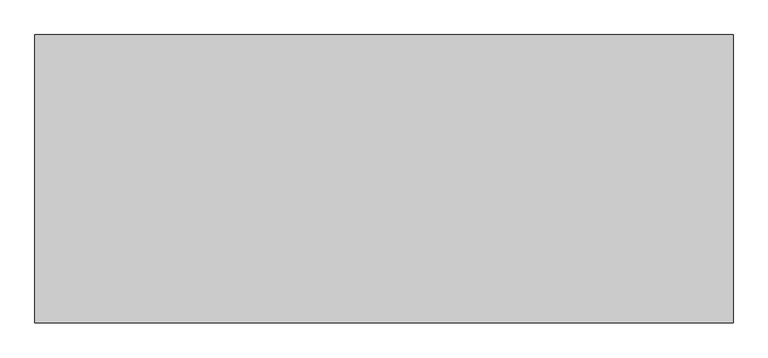
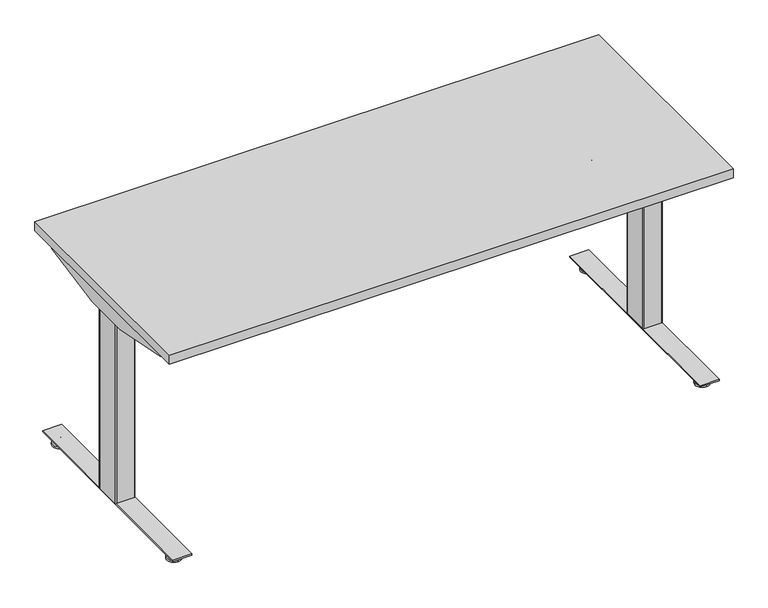
"""IFC4 building model written with IfcOpenShell, lengths in millimetres: furniture geometry."""

from ifc_helpers import new_model, si_unit, point, frame, frame_2d, origin, place, context, project, spatial, polyline, circle_curve, trimmed, segment, composite_curve, outline, extrude, source, transform, mapped, element, save
from ifc_brep_helpers import plane_surface, cylinder_surface, revolved_surface, advanced_brep


def furniture_c5a4d854(model_context):
    return source(origin(), model_context, "Body", "SolidModel", [
        extrude(outline(composite_curve([segment(polyline([(24.0299808, 91.9126008), (24.0299808, 89.2526023), (15.0465732, 89.2526023)]), True, "CONTINUOUS"), segment(trimmed(circle_curve(frame_2d((15.0465732, 88.1760101)), 1.0765922), [point((15.0465732, 89.2526023))], [point((13.969981, 88.1760101))], True, "CARTESIAN"), True, "CONTINUOUS"), segment(polyline([(13.969981, 88.1760101), (13.969981, 57.733733)]), True, "CONTINUOUS"), segment(trimmed(circle_curve(frame_2d((14.981112, 57.733733)), 1.011131), [point((13.969981, 57.733733))], [point((14.981112, 56.7226021))], True, "CARTESIAN"), True, "CONTINUOUS"), segment(polyline([(14.981112, 56.7226021), (24.0299808, 56.7226021), (24.0299808, 54.0625991), (14.9699813, 54.0625991), (13.1399808, 54.5529489), (11.8003278, 55.8926019), (11.3099815, 57.7226046), (11.3099815, 88.2526043), (11.8003278, 90.0826025), (13.1399808, 91.4222555), (14.9699813, 91.9126008), (24.0299808, 91.9126008)]), True, "CONTINUOUS")], self_intersect=False)), frame((0.0, -646.1468746, 0.0), z_axis=(0.0, 1.0, 0.0), x_axis=(0.0, 0.0, 1.0)), (0.0, 0.0, 1.0), 507.9999924),
        advanced_brep(
        [(71.6136021, -726.0252467, 9.1e-06), (71.6136021, -703.4479001, 9.1e-06), (71.6136021, -680.8705535, 9.1e-06), (71.6136021, -726.0109304, 5.8932313), (71.6136021, -680.8848697, 5.8932313), (71.6136021, -706.9684154, 9.6997702), (71.6136021, -699.9273847, 9.6997702), (71.6136021, -706.9684154, 23.9856018), (71.6136021, -699.9273847, 23.9856018), (71.6136021, -703.4479001, 23.9856018)],
        [
            (0, 1),
            (1, 2),
            (2, 0, circle_curve(frame((71.6136021, -703.4479001, 9.1e-06), z_axis=(0.0, 0.0, -1.0), x_axis=(0.0, 1.0, 0.0)), 22.5773466)),
            (0, 2, circle_curve(frame((71.6136021, -703.4479001, 9.1e-06), z_axis=(0.0, 0.0, -1.0), x_axis=(0.0, 1.0, 0.0)), 22.5773466)),
            (3, 0),
            (2, 4),
            (4, 3, circle_curve(frame((71.6136021, -703.4479001, 5.8932313), z_axis=(0.0, 0.0, -1.0), x_axis=(0.0, 1.0, 0.0)), 22.5630303)),
            (3, 4, circle_curve(frame((71.6136021, -703.4479001, 5.8932313), z_axis=(0.0, 0.0, -1.0), x_axis=(0.0, 1.0, 0.0)), 22.5630303)),
            (5, 3),
            (4, 6),
            (6, 5, circle_curve(frame((71.6136021, -703.4479001, 9.6997702), z_axis=(0.0, 0.0, -1.0), x_axis=(0.0, 1.0, 0.0)), 3.5205153)),
            (5, 6, circle_curve(frame((71.6136021, -703.4479001, 9.6997702), z_axis=(0.0, 0.0, -1.0), x_axis=(0.0, 1.0, 0.0)), 3.5205153)),
            (7, 5),
            (6, 8),
            (8, 7, circle_curve(frame((71.6136021, -703.4479001, 23.9856018), z_axis=(0.0, 0.0, -1.0), x_axis=(0.0, 1.0, 0.0)), 3.5205153)),
            (7, 8, circle_curve(frame((71.6136021, -703.4479001, 23.9856018), z_axis=(0.0, 0.0, -1.0), x_axis=(0.0, 1.0, 0.0)), 3.5205153)),
            (9, 7),
            (8, 9),
        ],
        [
            plane_surface(frame((71.6136021, -703.4479001, 9.1e-06), z_axis=(0.0, 0.0, -1.0), x_axis=(0.0, 1.0, 0.0))),
            revolved_surface(polyline([(71.6136021, -680.8705535, 9.1e-06), (71.6136021, -680.8848697, 5.8932313)]), (71.6136021, -703.4479001, -6.3499909), (0.0, 0.0, 1.0)),
            revolved_surface(polyline([(71.6136021, -680.8848697, 5.8932313), (71.6136021, -699.9273847, 9.6997702)]), (71.6136021, -703.4479001, -6.3499909), (0.0, 0.0, 1.0)),
            cylinder_surface(frame((71.6136021, -703.4479001, -6.3499909), z_axis=(0.0, 0.0, 1.0), x_axis=(0.0, 1.0, 0.0)), 3.5205153),
            plane_surface(frame((71.6136021, -703.4479001, 23.9856018), z_axis=(0.0, 0.0, 1.0), x_axis=(0.0, 1.0, 0.0))),
        ],
        [
            (0, [[1, 2, 3]]),
            (0, [[-2, -1, 4]]),
            (1, [[5, -3, 6, 7]]),
            (1, [[-6, -4, -5, 8]]),
            (2, [[9, -7, 10, 11]]),
            (2, [[-10, -8, -9, 12]]),
            (3, [[13, -11, 14, 15]]),
            (3, [[-14, -12, -13, 16]]),
            (4, [[17, -15, 18]]),
            (4, [[-18, -16, -17]]),
        ],
    ),
        advanced_brep(
        [(71.6136021, -80.677371, 23.9447896), (71.6136021, -84.2813634, 23.9447896), (71.6136021, -77.0733786, 23.9447896), (71.6136021, -103.3167838, 9.1e-06), (71.6136021, -80.677371, 9.1e-06), (71.6136021, -58.0379582, 9.1e-06), (71.6136021, -103.3024934, 5.8932313), (71.6136021, -58.0522486, 5.8932313), (71.6136021, -84.2599821, 9.6997702), (71.6136021, -77.0947599, 9.6997702)],
        [
            (0, 1),
            (1, 2, circle_curve(frame((71.6136021, -80.677371, 23.9447896), z_axis=(0.0, 0.0, 1.0), x_axis=(0.0, 1.0, 0.0)), 3.6039924)),
            (2, 0),
            (2, 1, circle_curve(frame((71.6136021, -80.677371, 23.9447896), z_axis=(0.0, 0.0, 1.0), x_axis=(0.0, 1.0, 0.0)), 3.6039924)),
            (3, 4),
            (4, 5),
            (5, 3, circle_curve(frame((71.6136021, -80.677371, 9.1e-06), z_axis=(0.0, 0.0, -1.0), x_axis=(0.0, 1.0, 0.0)), 22.6394128)),
            (3, 5, circle_curve(frame((71.6136021, -80.677371, 9.1e-06), z_axis=(0.0, 0.0, -1.0), x_axis=(0.0, 1.0, 0.0)), 22.6394128)),
            (6, 3),
            (5, 7),
            (7, 6, circle_curve(frame((71.6136021, -80.677371, 5.8932313), z_axis=(0.0, 0.0, -1.0), x_axis=(0.0, 1.0, 0.0)), 22.6251224)),
            (6, 7, circle_curve(frame((71.6136021, -80.677371, 5.8932313), z_axis=(0.0, 0.0, -1.0), x_axis=(0.0, 1.0, 0.0)), 22.6251224)),
            (8, 6),
            (7, 9),
            (9, 8, circle_curve(frame((71.6136021, -80.677371, 9.6997702), z_axis=(0.0, 0.0, -1.0), x_axis=(0.0, 1.0, 0.0)), 3.5826111)),
            (8, 9, circle_curve(frame((71.6136021, -80.677371, 9.6997702), z_axis=(0.0, 0.0, -1.0), x_axis=(0.0, 1.0, 0.0)), 3.5826111)),
            (1, 8),
            (9, 2),
        ],
        [
            plane_surface(frame((71.6136021, -80.677371, 23.9447896), z_axis=(0.0, 0.0, 1.0), x_axis=(0.0, 1.0, 0.0))),
            plane_surface(frame((71.6136021, -80.677371, 9.1e-06), z_axis=(0.0, 0.0, -1.0), x_axis=(0.0, 1.0, 0.0))),
            revolved_surface(polyline([(71.6136021, -58.0379582, 9.1e-06), (71.6136021, -58.0522486, 5.8932313)]), (71.6136021, -80.677371, -4.2199069), (0.0, 0.0, 1.0)),
            revolved_surface(polyline([(71.6136021, -58.0522486, 5.8932313), (71.6136021, -77.0947599, 9.6997702)]), (71.6136021, -80.677371, -4.2199069), (0.0, 0.0, 1.0)),
            cylinder_surface(frame((71.6136021, -80.677371, -4.2199069), z_axis=(0.0, 0.0, 1.0), x_axis=(0.0, 1.0, 0.0)), 3.5617141),
        ],
        [
            (0, [[1, 2, 3]]),
            (0, [[-3, 4, -1]]),
            (1, [[5, 6, 7]]),
            (1, [[-6, -5, 8]]),
            (2, [[9, -7, 10, 11]]),
            (2, [[-10, -8, -9, 12]]),
            (3, [[13, -11, 14, 15]]),
            (3, [[-14, -12, -13, 16]]),
            (4, [[17, -15, 18, -2]]),
            (4, [[-18, -16, -17, -4]]),
        ],
    ),
        extrude(outline(polyline([(42.9876029, -36.5468837), (102.9576025, -36.5468837), (102.9576025, -747.7468867), (42.9876029, -747.7468867), (42.9876029, -36.5468837)])), frame((0.0, 0.0, 24.0299808), z_axis=(0.0, 0.0, 1.0), x_axis=(1.0, 0.0, 0.0)), (0.0, 0.0, 1.0), 4.1800001),
        extrude(outline(composite_curve([segment(polyline([(98.1047994, -352.3927982), (98.1047994, -434.8963759)]), True, "CONTINUOUS"), segment(trimmed(circle_curve(frame_2d((95.8187994, -434.8963759)), 2.286), [point((98.1047994, -434.8963759))], [point((95.8187994, -437.1823759))], False, "CARTESIAN"), True, "CONTINUOUS"), segment(polyline([(95.8187994, -437.1823759), (47.5023125, -437.1823759)]), True, "CONTINUOUS"), segment(trimmed(circle_curve(frame_2d((47.5023125, -434.8963759)), 2.286), [point((47.5023125, -437.1823759))], [point((45.2163125, -434.8963759))], False, "CARTESIAN"), True, "CONTINUOUS"), segment(polyline([(45.2163125, -434.8963759), (45.2163125, -352.2329455)]), True, "CONTINUOUS"), segment(trimmed(circle_curve(frame_2d((47.5023125, -352.3927982)), 2.2915822), [point((45.2163125, -352.2329455))], [point((47.3424598, -350.1067982))], False, "CARTESIAN"), True, "CONTINUOUS"), segment(polyline([(47.3424598, -350.1067982), (95.8187994, -350.1067982)]), True, "CONTINUOUS"), segment(trimmed(circle_curve(frame_2d((95.8187994, -352.3927982)), 2.286), [point((95.8187994, -350.1067982))], [point((98.1047994, -352.3927982))], False, "CARTESIAN"), True, "CONTINUOUS")], self_intersect=False)), frame((0.0, 0.0, 631.6980091), z_axis=(0.0, 0.0, 1.0), x_axis=(1.0, 0.0, 0.0)), (0.0, 0.0, 1.0), 50.8819446),
        extrude(outline(composite_curve([segment(polyline([(44.6584207, -347.179857), (100.2661103, -347.179857)]), True, "CONTINUOUS"), segment(trimmed(circle_curve(frame_2d((100.2656021, -350.227857)), 3.048), [point((100.2661103, -347.179857))], [point((103.3136021, -350.227857))], False, "CARTESIAN"), True, "CONTINUOUS"), segment(polyline([(103.3136021, -350.227857), (103.3136021, -434.125863)]), True, "CONTINUOUS"), segment(trimmed(circle_curve(frame_2d((100.2656021, -434.125863)), 3.048), [point((103.3136021, -434.125863))], [point((100.2635382, -437.1738623))], False, "CARTESIAN"), True, "CONTINUOUS"), segment(polyline([(100.2635382, -437.1738623), (44.638999, -437.1361976)]), True, "CONTINUOUS"), segment(trimmed(circle_curve(frame_2d((44.6410511, -434.105568)), 3.0306304), [point((44.638999, -437.1361976))], [point((41.6104207, -434.105568))], False, "CARTESIAN"), True, "CONTINUOUS"), segment(polyline([(41.6104207, -434.105568), (41.6104207, -350.227857)]), True, "CONTINUOUS"), segment(trimmed(circle_curve(frame_2d((44.6584207, -350.227857)), 3.048), [point((41.6104207, -350.227857))], [point((44.6584207, -347.179857))], False, "CARTESIAN"), True, "CONTINUOUS")], self_intersect=False)), frame((0.0, 0.0, 28.209981), z_axis=(0.0, 0.0, 1.0), x_axis=(1.0, 0.0, 0.0)), (0.0, 0.0, 1.0), 603.4880281),
        extrude(outline(composite_curve([segment(polyline([(24.0299717, 1714.7357036), (14.9699722, 1714.7357036), (13.1399717, 1715.2260488), (11.8003187, 1716.5657018), (11.3099724, 1718.3957), (11.3099724, 1748.9256997), (11.8003187, 1750.7557024), (13.1399717, 1752.0953554), (14.9699722, 1752.5857052), (24.0299717, 1752.5857052), (24.0299717, 1749.9257022), (14.9811029, 1749.9257022)]), True, "CONTINUOUS"), segment(trimmed(circle_curve(frame_2d((14.9811029, 1748.9145713)), 1.011131), [point((14.9811029, 1749.9257022))], [point((13.9699719, 1748.9145713))], True, "CARTESIAN"), True, "CONTINUOUS"), segment(polyline([(13.9699719, 1748.9145713), (13.9699719, 1718.4722942)]), True, "CONTINUOUS"), segment(trimmed(circle_curve(frame_2d((15.0465641, 1718.4722942)), 1.0765922), [point((13.9699719, 1718.4722942))], [point((15.0465641, 1717.395702))], True, "CARTESIAN"), True, "CONTINUOUS"), segment(polyline([(15.0465641, 1717.395702), (24.0299717, 1717.395702), (24.0299717, 1714.7357036)]), True, "CONTINUOUS")], self_intersect=False)), frame((0.0, -646.1468746, 0.0), z_axis=(0.0, 1.0, 0.0), x_axis=(0.0, 0.0, 1.0)), (0.0, 0.0, 1.0), 507.9999924),
        advanced_brep(
        [(1735.0347023, -726.0252467, 0.0), (1735.0347023, -680.8705535, 0.0), (1735.0347023, -703.4479001, 0.0), (1735.0347023, -726.0109304, 5.8932222), (1735.0347023, -680.8848697, 5.8932222), (1735.0347023, -706.9684154, 9.6997611), (1735.0347023, -699.9273847, 9.6997611), (1735.0347023, -706.9684154, 23.9855927), (1735.0347023, -699.9273847, 23.9855927), (1735.0347023, -703.4479001, 23.9855927)],
        [
            (0, 1, circle_curve(frame((1735.0347023, -703.4479001, 0.0), z_axis=(0.0, 0.0, -1.0), x_axis=(0.0, 1.0, 0.0)), 22.5773466)),
            (1, 2),
            (2, 0),
            (1, 0, circle_curve(frame((1735.0347023, -703.4479001, 0.0), z_axis=(0.0, 0.0, -1.0), x_axis=(0.0, 1.0, 0.0)), 22.5773466)),
            (3, 4, circle_curve(frame((1735.0347023, -703.4479001, 5.8932222), z_axis=(0.0, 0.0, -1.0), x_axis=(0.0, 1.0, 0.0)), 22.5630303)),
            (4, 1),
            (0, 3),
            (4, 3, circle_curve(frame((1735.0347023, -703.4479001, 5.8932222), z_axis=(0.0, 0.0, -1.0), x_axis=(0.0, 1.0, 0.0)), 22.5630303)),
            (5, 6, circle_curve(frame((1735.0347023, -703.4479001, 9.6997611), z_axis=(0.0, 0.0, -1.0), x_axis=(0.0, 1.0, 0.0)), 3.5205153)),
            (6, 4),
            (3, 5),
            (6, 5, circle_curve(frame((1735.0347023, -703.4479001, 9.6997611), z_axis=(0.0, 0.0, -1.0), x_axis=(0.0, 1.0, 0.0)), 3.5205153)),
            (7, 8, circle_curve(frame((1735.0347023, -703.4479001, 23.9855927), z_axis=(0.0, 0.0, -1.0), x_axis=(0.0, 1.0, 0.0)), 3.5205153)),
            (8, 6),
            (5, 7),
            (8, 7, circle_curve(frame((1735.0347023, -703.4479001, 23.9855927), z_axis=(0.0, 0.0, -1.0), x_axis=(0.0, 1.0, 0.0)), 3.5205153)),
            (9, 8),
            (7, 9),
        ],
        [
            plane_surface(frame((1735.0347023, -703.4479001, 0.0), z_axis=(0.0, 0.0, -1.0), x_axis=(0.0, 1.0, 0.0))),
            revolved_surface(polyline([(1735.0347023, -680.8705535, 0.0), (1735.0347023, -680.8848697, 5.8932222)]), (1735.0347023, -703.4479001, -6.35), (0.0, 0.0, 1.0)),
            revolved_surface(polyline([(1735.0347023, -680.8848697, 5.8932222), (1735.0347023, -699.9273847, 9.6997611)]), (1735.0347023, -703.4479001, -6.35), (0.0, 0.0, 1.0)),
            cylinder_surface(frame((1735.0347023, -703.4479001, -6.35), z_axis=(0.0, 0.0, 1.0), x_axis=(0.0, 1.0, 0.0)), 3.5205153),
            plane_surface(frame((1735.0347023, -703.4479001, 23.9855927), z_axis=(0.0, 0.0, 1.0), x_axis=(0.0, 1.0, 0.0))),
        ],
        [
            (0, [[1, 2, 3]]),
            (0, [[4, -3, -2]]),
            (1, [[5, 6, -1, 7]]),
            (1, [[8, -7, -4, -6]]),
            (2, [[9, 10, -5, 11]]),
            (2, [[12, -11, -8, -10]]),
            (3, [[13, 14, -9, 15]]),
            (3, [[16, -15, -12, -14]]),
            (4, [[17, -13, 18]]),
            (4, [[-18, -16, -17]]),
        ],
    ),
        advanced_brep(
        [(1735.0347023, -80.677371, 23.9447805), (1735.0347023, -77.0733786, 23.9447805), (1735.0347023, -84.2813634, 23.9447805), (1735.0347023, -103.3167838, 0.0), (1735.0347023, -58.0379582, 0.0), (1735.0347023, -80.677371, 0.0), (1735.0347023, -103.3024934, 5.8932222), (1735.0347023, -58.0522486, 5.8932222), (1735.0347023, -84.2599821, 9.6997611), (1735.0347023, -77.0947599, 9.6997611)],
        [
            (0, 1),
            (1, 2, circle_curve(frame((1735.0347023, -80.677371, 23.9447805), z_axis=(0.0, 0.0, 1.0), x_axis=(0.0, 1.0, 0.0)), 3.6039924)),
            (2, 0),
            (2, 1, circle_curve(frame((1735.0347023, -80.677371, 23.9447805), z_axis=(0.0, 0.0, 1.0), x_axis=(0.0, 1.0, 0.0)), 3.6039924)),
            (3, 4, circle_curve(frame((1735.0347023, -80.677371, 0.0), z_axis=(0.0, 0.0, -1.0), x_axis=(0.0, 1.0, 0.0)), 22.6394128)),
            (4, 5),
            (5, 3),
            (4, 3, circle_curve(frame((1735.0347023, -80.677371, 0.0), z_axis=(0.0, 0.0, -1.0), x_axis=(0.0, 1.0, 0.0)), 22.6394128)),
            (6, 7, circle_curve(frame((1735.0347023, -80.677371, 5.8932222), z_axis=(0.0, 0.0, -1.0), x_axis=(0.0, 1.0, 0.0)), 22.6251224)),
            (7, 4),
            (3, 6),
            (7, 6, circle_curve(frame((1735.0347023, -80.677371, 5.8932222), z_axis=(0.0, 0.0, -1.0), x_axis=(0.0, 1.0, 0.0)), 22.6251224)),
            (8, 9, circle_curve(frame((1735.0347023, -80.677371, 9.6997611), z_axis=(0.0, 0.0, -1.0), x_axis=(0.0, 1.0, 0.0)), 3.5826111)),
            (9, 7),
            (6, 8),
            (9, 8, circle_curve(frame((1735.0347023, -80.677371, 9.6997611), z_axis=(0.0, 0.0, -1.0), x_axis=(0.0, 1.0, 0.0)), 3.5826111)),
            (1, 9),
            (8, 2),
        ],
        [
            plane_surface(frame((1735.0347023, -80.677371, 23.9447805), z_axis=(0.0, 0.0, 1.0), x_axis=(0.0, 1.0, 0.0))),
            plane_surface(frame((1735.0347023, -80.677371, 0.0), z_axis=(0.0, 0.0, -1.0), x_axis=(0.0, 1.0, 0.0))),
            revolved_surface(polyline([(1735.0347023, -58.0379582, 0.0), (1735.0347023, -58.0522486, 5.8932222)]), (1735.0347023, -80.677371, -4.219916), (0.0, 0.0, 1.0)),
            revolved_surface(polyline([(1735.0347023, -58.0522486, 5.8932222), (1735.0347023, -77.0947599, 9.6997611)]), (1735.0347023, -80.677371, -4.219916), (0.0, 0.0, 1.0)),
            cylinder_surface(frame((1735.0347023, -80.677371, -4.219916), z_axis=(0.0, 0.0, 1.0), x_axis=(0.0, 1.0, 0.0)), 3.5617141),
        ],
        [
            (0, [[1, 2, 3]]),
            (0, [[-3, 4, -1]]),
            (1, [[5, 6, 7]]),
            (1, [[8, -7, -6]]),
            (2, [[9, 10, -5, 11]]),
            (2, [[12, -11, -8, -10]]),
            (3, [[13, 14, -9, 15]]),
            (3, [[16, -15, -12, -14]]),
            (4, [[-2, 17, -13, 18]]),
            (4, [[-4, -18, -16, -17]]),
        ],
    ),
        extrude(outline(polyline([(1763.6607014, -36.5468837), (1763.6607014, -747.7468867), (1703.6907019, -747.7468867), (1703.6907019, -36.5468837), (1763.6607014, -36.5468837)])), frame((0.0, 0.0, 24.0299717), z_axis=(0.0, 0.0, 1.0), x_axis=(1.0, 0.0, 0.0)), (0.0, 0.0, 1.0), 4.1800001),
        extrude(outline(composite_curve([segment(trimmed(circle_curve(frame_2d((1710.8295049, -352.3927982)), 2.286), [point((1708.5435049, -352.3927982))], [point((1710.8295049, -350.1067982))], False, "CARTESIAN"), True, "CONTINUOUS"), segment(polyline([(1710.8295049, -350.1067982), (1759.3058445, -350.1067982)]), True, "CONTINUOUS"), segment(trimmed(circle_curve(frame_2d((1759.1459918, -352.3927982)), 2.2915822), [point((1759.3058445, -350.1067982))], [point((1761.4319918, -352.2329455))], False, "CARTESIAN"), True, "CONTINUOUS"), segment(polyline([(1761.4319918, -352.2329455), (1761.4319918, -434.8963759)]), True, "CONTINUOUS"), segment(trimmed(circle_curve(frame_2d((1759.1459918, -434.8963759)), 2.286), [point((1761.4319918, -434.8963759))], [point((1759.1459918, -437.1823759))], False, "CARTESIAN"), True, "CONTINUOUS"), segment(polyline([(1759.1459918, -437.1823759), (1710.8295049, -437.1823759)]), True, "CONTINUOUS"), segment(trimmed(circle_curve(frame_2d((1710.8295049, -434.8963759)), 2.286), [point((1710.8295049, -437.1823759))], [point((1708.5435049, -434.8963759))], False, "CARTESIAN"), True, "CONTINUOUS"), segment(polyline([(1708.5435049, -434.8963759), (1708.5435049, -352.3927982)]), True, "CONTINUOUS")], self_intersect=False)), frame((0.0, 0.0, 631.698), z_axis=(0.0, 0.0, 1.0), x_axis=(1.0, 0.0, 0.0)), (0.0, 0.0, 1.0), 50.8819446),
        extrude(outline(composite_curve([segment(trimmed(circle_curve(frame_2d((1761.9898836, -350.227857)), 3.048), [point((1761.9898836, -347.179857))], [point((1765.0378836, -350.227857))], False, "CARTESIAN"), True, "CONTINUOUS"), segment(polyline([(1765.0378836, -350.227857), (1765.0378836, -434.105568)]), True, "CONTINUOUS"), segment(trimmed(circle_curve(frame_2d((1762.0072532, -434.105568)), 3.0306304), [point((1765.0378836, -434.105568))], [point((1762.0093053, -437.1361976))], False, "CARTESIAN"), True, "CONTINUOUS"), segment(polyline([(1762.0093053, -437.1361976), (1706.3847661, -437.1738623)]), True, "CONTINUOUS"), segment(trimmed(circle_curve(frame_2d((1706.3827022, -434.125863)), 3.048), [point((1706.3847661, -437.1738623))], [point((1703.3347022, -434.125863))], False, "CARTESIAN"), True, "CONTINUOUS"), segment(polyline([(1703.3347022, -434.125863), (1703.3347022, -350.227857)]), True, "CONTINUOUS"), segment(trimmed(circle_curve(frame_2d((1706.3827022, -350.227857)), 3.048), [point((1703.3347022, -350.227857))], [point((1706.382194, -347.179857))], False, "CARTESIAN"), True, "CONTINUOUS"), segment(polyline([(1706.382194, -347.179857), (1761.9898836, -347.179857)]), True, "CONTINUOUS")], self_intersect=False)), frame((0.0, 0.0, 28.2099719), z_axis=(0.0, 0.0, 1.0), x_axis=(1.0, 0.0, 0.0)), (0.0, 0.0, 1.0), 603.4880281),
        extrude(outline(composite_curve([segment(polyline([(-348.0894339, 646.1786781), (-436.4009814, 646.1786781)]), True, "CONTINUOUS"), segment(trimmed(circle_curve(frame_2d((-436.4009814, 649.1561465)), 2.9774683), [point((-436.4009814, 646.1786781))], [point((-439.3784497, 649.1561465))], False, "CARTESIAN"), True, "CONTINUOUS"), segment(polyline([(-439.3784497, 649.1561465), (-439.3784497, 694.0295758), (-437.4784204, 694.0295758), (-437.4784204, 649.0405996)]), True, "CONTINUOUS"), segment(trimmed(circle_curve(frame_2d((-436.5165283, 649.0405996)), 0.9618921), [point((-437.4784204, 649.0405996))], [point((-436.5165283, 648.0787075))], True, "CARTESIAN"), True, "CONTINUOUS"), segment(polyline([(-436.5165283, 648.0787075), (-347.9945797, 648.0787075)]), True, "CONTINUOUS"), segment(trimmed(circle_curve(frame_2d((-347.9945797, 649.1948418)), 1.1161343), [point((-347.9945797, 648.0787075))], [point((-346.8784454, 649.1948418))], True, "CARTESIAN"), True, "CONTINUOUS"), segment(polyline([(-346.8784454, 649.1948418), (-346.8784454, 694.0295758), (-344.9784342, 694.0295758), (-344.9784342, 649.2896778)]), True, "CONTINUOUS"), segment(trimmed(circle_curve(frame_2d((-348.0894339, 649.2896778)), 3.1109997), [point((-344.9784342, 649.2896778))], [point((-348.0894339, 646.1786781))], False, "CARTESIAN"), True, "CONTINUOUS")], self_intersect=False)), frame((103.3136021, 0.0, 0.0), z_axis=(1.0, 0.0, 0.0), x_axis=(0.0, 1.0, 0.0)), (0.0, 0.0, 1.0), 1600.0211001),
        extrude(outline(polyline([(-688.1042925, 694.0295758), (-96.2085395, 694.0295758), (-96.2085395, 672.5358146), (-315.3907598, 627.9513622), (-468.961128, 627.9513622), (-688.1042925, 672.5236392), (-688.1042925, 694.0295758)])), frame((38.1482286, 0.0, 0.0), z_axis=(1.0, 0.0, 0.0), x_axis=(0.0, 1.0, 0.0)), (0.0, 0.0, 1.0), 1.8999567),
        extrude(outline(polyline([(-688.1042925, 694.0295758), (-96.247586, 694.0295758), (-96.247586, 672.5236392), (-315.3907598, 627.9513622), (-468.961128, 627.9513622), (-688.1042925, 672.5236392), (-688.1042925, 694.0295758)])), frame((1785.6760334, 0.0, 0.0), z_axis=(1.0, 0.0, 0.0), x_axis=(0.0, 1.0, 0.0)), (0.0, 0.0, 1.0), 1.8999567),
        extrude(outline(polyline([(25.4000008, -25.4000008), (1800.3520271, -25.4000008), (1800.3520271, -758.9520029), (25.4000008, -758.9520029), (25.4000008, -25.4000008)])), frame((0.0, 0.0, 694.0295758), z_axis=(0.0, 0.0, 1.0), x_axis=(1.0, 0.0, 0.0)), (0.0, 0.0, 1.0), 29.8704242),
    ])


if __name__ == "__main__":
    model = new_model("IFC4")
    model_context = context("Model", 3, world=origin())
    ifc_project = project(units=[si_unit("LENGTHUNIT", "METRE", prefix="MILLI")], contexts=[model_context])
    site = spatial("IfcSite", under=ifc_project)
    building = spatial("IfcBuilding", under=site)
    placement = place(None, origin())
    furniture_shape = furniture_c5a4d854(model_context)
    element("IfcFurniture", 1, at=placement, inside=building, context=model_context, shape_type="MappedRepresentation", body=[
        mapped(furniture_shape, transform((0.0, 0.0, 0.0), x_axis=(1.0, 0.0, 0.0), y_axis=(0.0, 1.0, 0.0), z_axis=(0.0, 0.0, 1.0))),
    ])
    save(model, "model.ifc")
